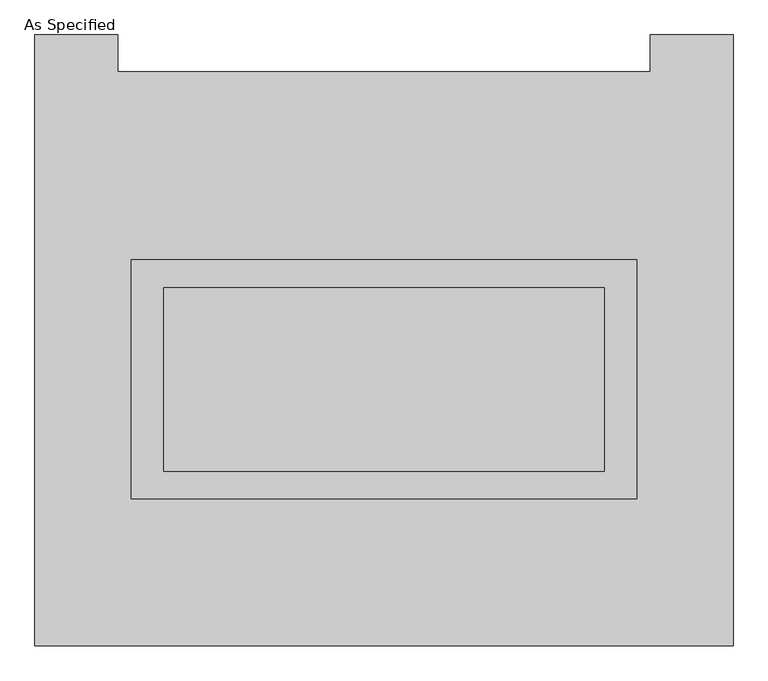
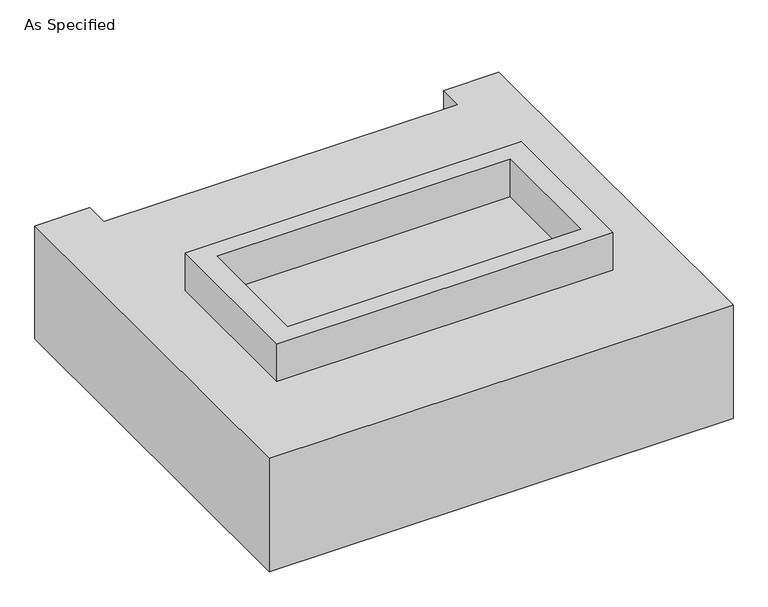
"""IFC4 building model written with IfcOpenShell, lengths in millimetres: proxy geometry, As Specified."""

from ifc_helpers import new_model, si_unit, frame, origin, place, context, project, spatial, polyline, outline, extrude, faceted_brep, source, transform, mapped, element, save


def as_specified_1095a64f(model_context):
    return source(origin(), model_context, "Body", "SolidModel", [
        extrude(outline(polyline([(698.5, 273.05), (698.5, -387.35), (-698.5, -387.35), (-698.5, 273.05), (698.5, 273.05)]), holes=[polyline([(609.6, 196.85), (-609.6, 196.85), (-609.6, -311.15), (609.6, -311.15), (609.6, 196.85)])]), frame((0.0, 0.0, -25.4), z_axis=(0.0, 0.0, 1.0), x_axis=(1.0, 0.0, 0.0)), (0.0, 0.0, 1.0), 165.1),
        extrude(outline(polyline([(609.6, 196.85), (609.6, -311.15), (-609.6, -311.15), (-609.6, 196.85), (609.6, 196.85)])), frame((0.0, 0.0, -30.3609375), z_axis=(0.0, 0.0, 1.0), x_axis=(1.0, 0.0, 0.0)), (0.0, 0.0, 1.0), 4.9609375),
        faceted_brep([(965.2, -793.75, -523.875), (-965.2, -793.75, -523.875), (-965.2, 895.35, -523.875), (-736.6, 895.35, -523.875), (-736.6, 793.75, -523.875), (736.6, 793.75, -523.875), (736.6, 895.35, -523.875), (965.2, 895.35, -523.875), (-965.2, -793.75, -25.4), (965.2, -793.75, -25.4), (965.2, 895.35, -25.4), (736.6, 895.35, -25.4), (736.6, 793.75, -25.4), (-736.6, 793.75, -25.4), (-736.6, 895.35, -25.4), (-965.2, 895.35, -25.4), (-698.5, -387.35, -25.4), (-698.5, 273.05, -25.4), (698.5, 273.05, -25.4), (698.5, -387.35, -25.4), (698.5, 273.05, -498.475), (-698.5, 273.05, -498.475), (-698.5, -387.35, -498.475), (698.5, -387.35, -498.475)], [[[0, 1, 2, 3, 4, 5, 6, 7]], [[8, 9, 10, 11, 12, 13, 14, 15], [16, 17, 18, 19]], [[4, 13, 12, 5]], [[1, 8, 15, 2]], [[10, 9, 0, 7]], [[20, 21, 22, 23]], [[22, 21, 17, 16]], [[21, 20, 18, 17]], [[20, 23, 19, 18]], [[16, 19, 23, 22]], [[1, 0, 9, 8]], [[4, 3, 14, 13]], [[3, 2, 15, 14]], [[6, 5, 12, 11]], [[7, 6, 11, 10]]]),
    ])


if __name__ == "__main__":
    model = new_model("IFC4")
    model_context = context("Model", 3, world=origin())
    ifc_project = project(units=[si_unit("LENGTHUNIT", "METRE", prefix="MILLI")], contexts=[model_context])
    site = spatial("IfcSite", under=ifc_project)
    building = spatial("IfcBuilding", under=site)
    placement = place(None, origin())
    as_specified_shape = as_specified_1095a64f(model_context)
    element("IfcBuildingElementProxy", 1, Name="As Specified", ObjectType="As Specified", at=placement, inside=building, context=model_context, shape_type="MappedRepresentation", body=[
        mapped(as_specified_shape, transform((0.0, 0.0, 0.0), x_axis=(1.0, 0.0, 0.0), y_axis=(0.0, 1.0, 0.0), z_axis=(0.0, 0.0, 1.0))),
    ])
    save(model, "model.ifc")
